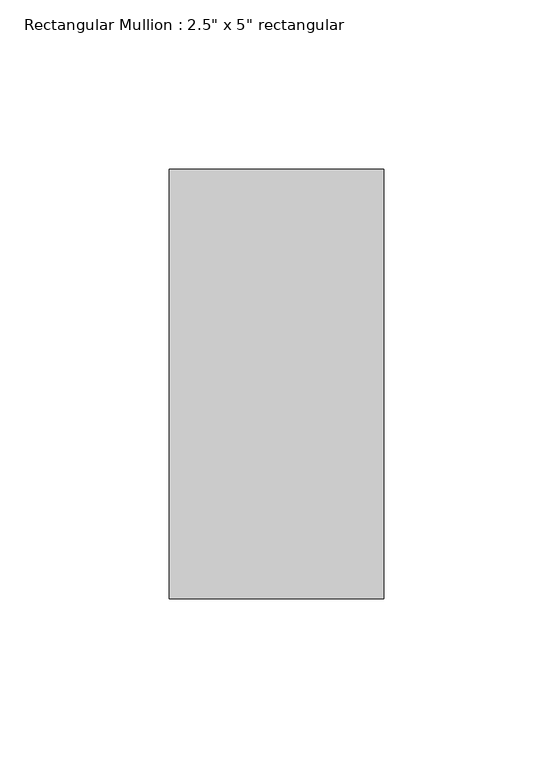
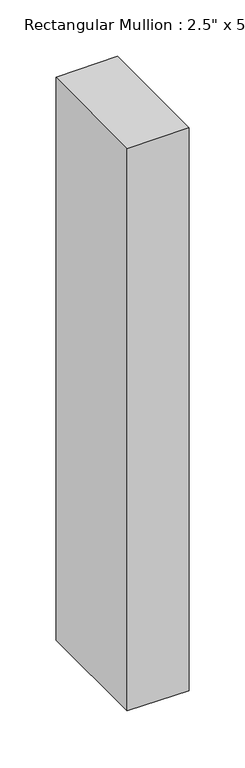
"""IFC4 building model written with IfcOpenShell, lengths in millimetres: member geometry."""

from ifc_helpers import new_model, si_unit, origin, place, context, project, spatial, faceted_brep, source, transform, mapped, element, save


def member_442345f0(model_context):
    return source(origin(), model_context, "Body", "Brep", [
        faceted_brep([(-63.5, 63.5, -0.4006064), (0.0, 63.5, 0.3886456), (0.0, 63.5, -612.96729), (-63.5, 63.5, -612.3084866), (-63.5, -63.5, -1.1778975), (-63.5, -63.5, -611.5346608), (0.0, -63.5, -0.3886456), (0.0, -63.5, -612.1934641)], [[[0, 1, 2, 3]], [[4, 0, 3, 5]], [[6, 4, 5, 7]], [[1, 6, 7, 2]], [[1, 0, 4, 6]], [[2, 7, 5, 3]]]),
    ])


if __name__ == "__main__":
    model = new_model("IFC4")
    model_context = context("Model", 3, world=origin())
    ifc_project = project(units=[si_unit("LENGTHUNIT", "METRE", prefix="MILLI")], contexts=[model_context])
    site = spatial("IfcSite", under=ifc_project)
    building = spatial("IfcBuilding", under=site)
    placement = place(None, origin())
    member_shape = member_442345f0(model_context)
    element("IfcMember", 1, ObjectType="Rectangular Mullion : 2.5\" x 5\" rectangular", at=placement, inside=building, context=model_context, shape_type="MappedRepresentation", body=[
        mapped(member_shape, transform((0.0, 0.0, 0.0), x_axis=(1.0, 0.0, 0.0), y_axis=(0.0, 1.0, 0.0), z_axis=(0.0, 0.0, 1.0))),
    ])
    save(model, "model.ifc")
